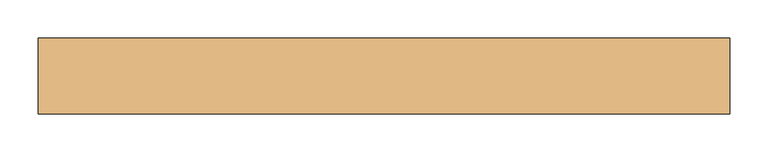
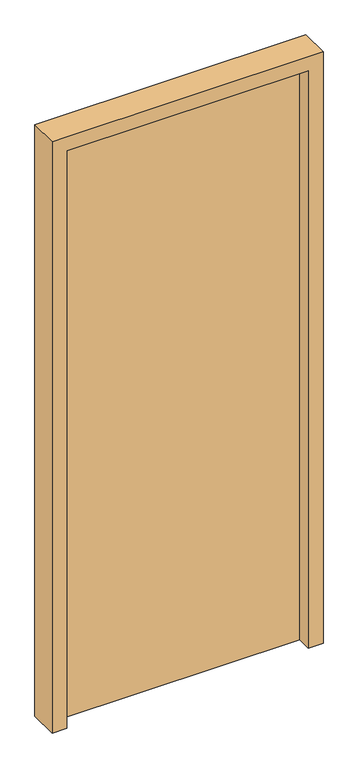
"""IFC4 building model written with IfcOpenShell, lengths in millimetres: door geometry."""

from ifc_helpers import new_model, si_unit, frame, origin, origin_with_axes, place, context, project, spatial, polyline, outline, extrude, source, transform, mapped, element, save


def door_af16f654(model_context):
    return source(origin(), model_context, "Body", "SweptSolid", [
        extrude(outline(polyline([(-405.0, 100.0), (405.0, 100.0), (405.0, 50.0), (-405.0, 50.0), (-405.0, 100.0)])), origin_with_axes(), (0.0, 0.0, 1.0), 2050.0),
        extrude(outline(polyline([(0.0, -455.0), (0.0, -405.0), (2050.0, -405.0), (2050.0, 405.0), (0.0, 405.0), (0.0, 455.0), (2100.0, 455.0), (2100.0, -455.0), (0.0, -455.0)])), frame((0.0, 0.0, 0.0), z_axis=(0.0, 1.0, 0.0), x_axis=(0.0, 0.0, 1.0)), (0.0, 0.0, 1.0), 100.0),
    ])


if __name__ == "__main__":
    model = new_model("IFC4")
    model_context = context("Model", 3, world=origin())
    ifc_project = project(units=[si_unit("LENGTHUNIT", "METRE", prefix="MILLI")], contexts=[model_context])
    site = spatial("IfcSite", under=ifc_project)
    building = spatial("IfcBuilding", under=site)
    placement = place(None, origin())
    door_shape = door_af16f654(model_context)
    element("IfcDoor", 1, at=placement, inside=building, context=model_context, shape_type="MappedRepresentation", body=[
        mapped(door_shape, transform((0.0, 0.0, 0.0), x_axis=(1.0, 0.0, 0.0), y_axis=(0.0, 1.0, 0.0), z_axis=(0.0, 0.0, 1.0))),
    ])
    save(model, "model.ifc")
